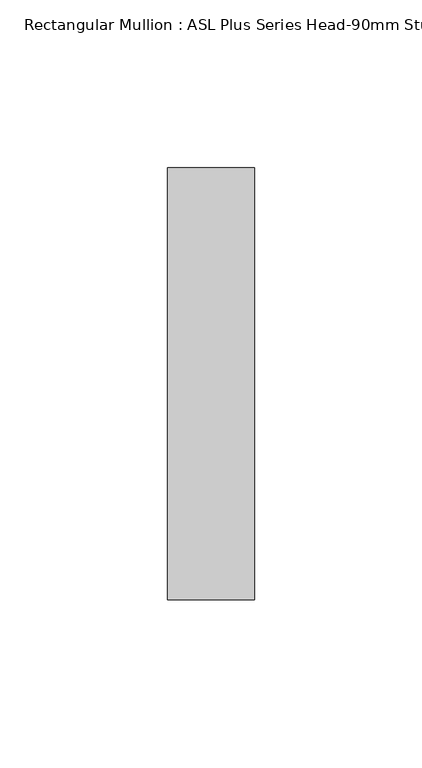
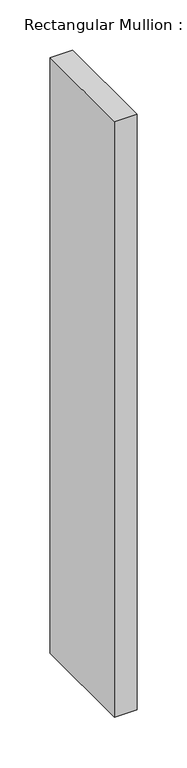
"""IFC4 building model written with IfcOpenShell, lengths in millimetres: member geometry, Rectangular Mullion : ASL Plus Series Head-90mm Stud."""

from ifc_helpers import new_model, si_unit, frame, origin, place, context, project, spatial, polyline, outline, extrude, source, transform, mapped, element, save


def rectangular_mullion_asl_plus_series_head_90mm_stud_d0d3635d(model_context):
    return source(origin(), model_context, "Body", "SweptSolid", [
        extrude(outline(polyline([(0.0, 64.5), (0.0, -64.5), (-26.0, -64.5), (-26.0, 64.5), (0.0, 64.5)])), frame((0.0, 0.0, -727.0), z_axis=(0.0, 0.0, 1.0), x_axis=(1.0, 0.0, 0.0)), (0.0, 0.0, 1.0), 727.0),
    ])


if __name__ == "__main__":
    model = new_model("IFC4")
    model_context = context("Model", 3, world=origin())
    ifc_project = project(units=[si_unit("LENGTHUNIT", "METRE", prefix="MILLI")], contexts=[model_context])
    site = spatial("IfcSite", under=ifc_project)
    building = spatial("IfcBuilding", under=site)
    placement = place(None, origin())
    rectangular_mullion_asl_plus_series_head_90mm_stud_shape = rectangular_mullion_asl_plus_series_head_90mm_stud_d0d3635d(model_context)
    element("IfcMember", 1, ObjectType="Rectangular Mullion : ASL Plus Series Head-90mm Stud", at=placement, inside=building, context=model_context, shape_type="MappedRepresentation", body=[
        mapped(rectangular_mullion_asl_plus_series_head_90mm_stud_shape, transform((0.0, 0.0, 0.0), x_axis=(1.0, 0.0, 0.0), y_axis=(0.0, 1.0, 0.0), z_axis=(0.0, 0.0, 1.0))),
    ])
    save(model, "model.ifc")
